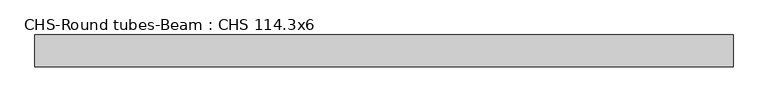
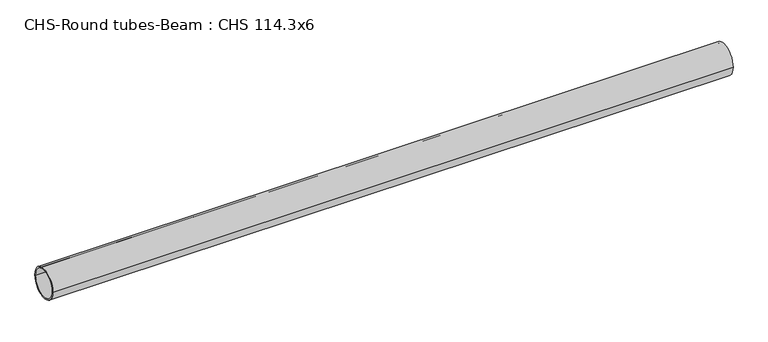
"""IFC4 building model written with IfcOpenShell, lengths in millimetres: beam geometry, CHS-Round tubes-Beam : CHS 114.3x6."""

from ifc_helpers import new_model, si_unit, point, frame, origin, origin_2d, place, context, project, spatial, circle_curve, trimmed, segment, composite_curve, outline, extrude, source, transform, mapped, element, save


def chs_round_tubes_beam_chs_114_3x6_234fda5a(model_context):
    return source(origin(), model_context, "Body", "SweptSolid", [
        extrude(outline(composite_curve([segment(trimmed(circle_curve(origin_2d(), 57.15), [point((57.15, 0.0))], [point((-57.15, 0.0))], False, "CARTESIAN"), True, "CONTINUOUS"), segment(trimmed(circle_curve(origin_2d(), 57.15), [point((-57.15, 0.0))], [point((57.15, 0.0))], False, "CARTESIAN"), True, "CONTINUOUS")], self_intersect=False), holes=[composite_curve([segment(trimmed(circle_curve(origin_2d(), 51.15), [point((51.15, 0.0))], [point((-51.15, 0.0))], True, "CARTESIAN"), True, "CONTINUOUS"), segment(trimmed(circle_curve(origin_2d(), 51.15), [point((-51.15, 0.0))], [point((51.15, 0.0))], True, "CARTESIAN"), True, "CONTINUOUS")], self_intersect=False)]), frame((-1198.7505512, 0.0, 0.0), z_axis=(1.0, 0.0, 0.0), x_axis=(0.0, 1.0, 0.0)), (0.0, 0.0, 1.0), 2503.9595093),
    ])


if __name__ == "__main__":
    model = new_model("IFC4")
    model_context = context("Model", 3, world=origin())
    ifc_project = project(units=[si_unit("LENGTHUNIT", "METRE", prefix="MILLI")], contexts=[model_context])
    site = spatial("IfcSite", under=ifc_project)
    building = spatial("IfcBuilding", under=site)
    placement = place(None, origin())
    chs_round_tubes_beam_chs_114_3x6_shape = chs_round_tubes_beam_chs_114_3x6_234fda5a(model_context)
    element("IfcBeam", 1, ObjectType="CHS-Round tubes-Beam : CHS 114.3x6", at=placement, inside=building, context=model_context, shape_type="MappedRepresentation", body=[
        mapped(chs_round_tubes_beam_chs_114_3x6_shape, transform((0.0, 0.0, 0.0), x_axis=(1.0, 0.0, 0.0), y_axis=(0.0, 1.0, 0.0), z_axis=(0.0, 0.0, 1.0))),
    ])
    save(model, "model.ifc")
